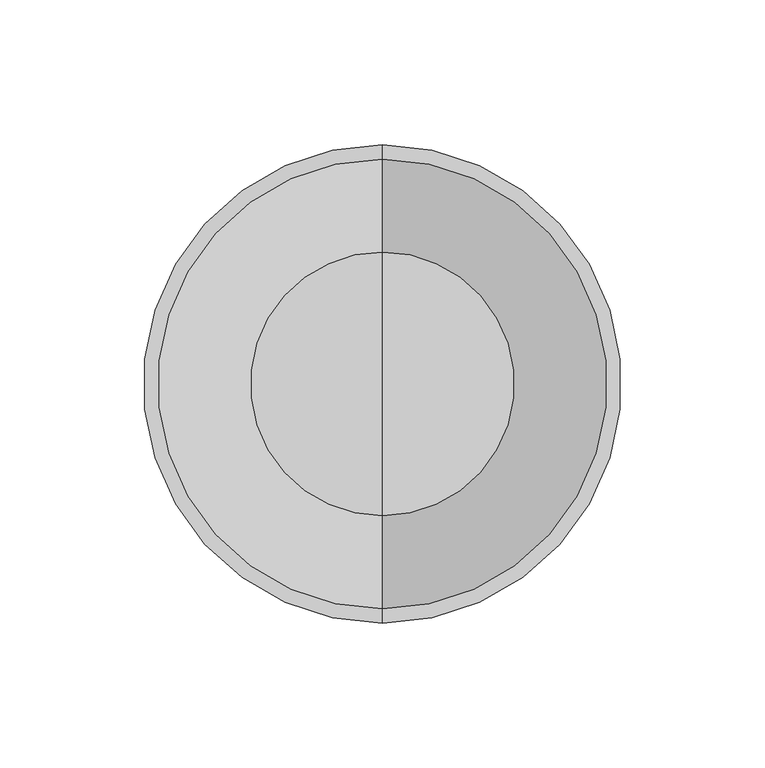
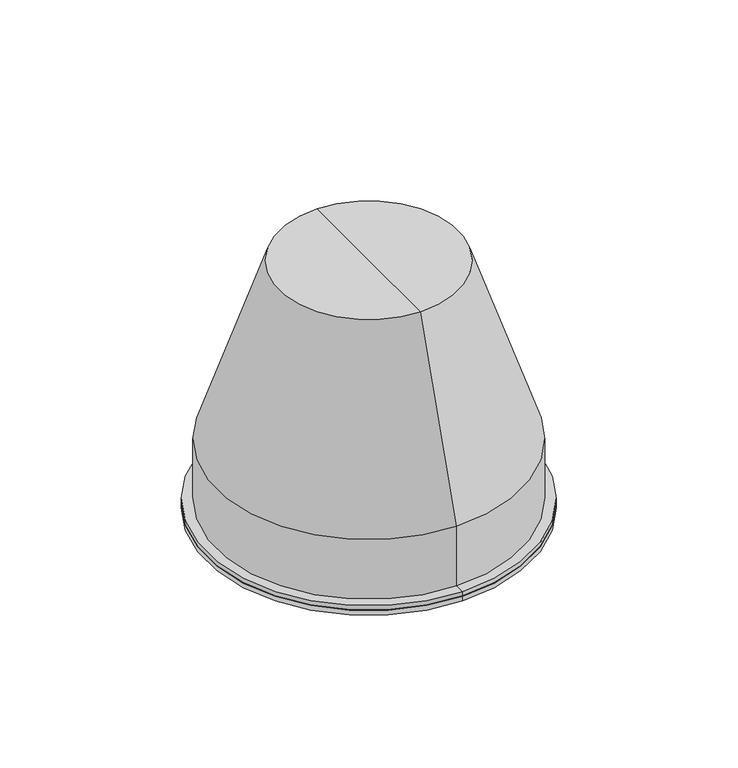
"""IFC4 building model written with IfcOpenShell, lengths in millimetres: light fixture geometry."""

from ifc_helpers import new_model, si_unit, frame, origin, place, context, project, spatial, polyline, circle_curve, source, transform, mapped, element, save
from ifc_brep_helpers import plane_surface, cylinder_surface, revolved_surface, advanced_brep


def light_fixture_b6013070(model_context):
    return source(origin(), model_context, "Body", "AdvancedBrep", [
        advanced_brep(
        [(0.0, 0.0, -5.0), (0.0, 82.5, -5.0), (0.0, -82.5, -5.0), (0.0, -82.5, -2.5), (0.0, 82.5, -2.5), (0.0, 0.0, -2.5)],
        [
            (0, 1),
            (1, 2, circle_curve(frame((0.0, 0.0, -5.0), z_axis=(0.0, 0.0, -1.0), x_axis=(0.0, 1.0, 0.0)), 82.5)),
            (2, 0),
            (2, 1, circle_curve(frame((0.0, 0.0, -5.0), z_axis=(0.0, 0.0, -1.0), x_axis=(0.0, 1.0, 0.0)), 82.5)),
            (3, 4, circle_curve(frame((0.0, 0.0, -2.5), z_axis=(0.0, 0.0, 1.0), x_axis=(0.0, 1.0, 0.0)), 82.5)),
            (4, 5),
            (5, 3),
            (4, 3, circle_curve(frame((0.0, 0.0, -2.5), z_axis=(0.0, 0.0, 1.0), x_axis=(0.0, 1.0, 0.0)), 82.5)),
            (1, 4),
            (3, 2),
        ],
        [
            plane_surface(frame((0.0, 0.0, -5.0), z_axis=(0.0, 0.0, -1.0), x_axis=(0.0, 1.0, 0.0))),
            plane_surface(frame((0.0, 0.0, -2.5), z_axis=(0.0, 0.0, 1.0), x_axis=(0.0, 1.0, 0.0))),
            cylinder_surface(frame((0.0, 0.0, 577.2817465), z_axis=(0.0, 0.0, -1.0), x_axis=(0.0, 1.0, 0.0)), 82.5),
        ],
        [
            (0, [[1, 2, 3]]),
            (0, [[-3, 4, -1]]),
            (1, [[5, 6, 7]]),
            (1, [[8, -7, -6]]),
            (2, [[-2, 9, -5, 10]]),
            (2, [[-4, -10, -8, -9]]),
        ],
    ),
        advanced_brep(
        [(0.0, 0.0, 128.0), (0.0, -45.5, 128.0), (0.0, 45.5, 128.0), (0.0, 82.5, -2.5), (0.0, -82.5, -2.5), (0.0, -75.0, -2.5), (0.0, 75.0, -2.5), (0.0, 82.5, 0.0), (0.0, -82.5, 0.0), (0.0, 77.5, 0.0), (0.0, -77.5, 0.0), (0.0, 77.5, 32.0), (0.0, -77.5, 32.0), (0.0, 43.5704413, 125.5), (0.0, -43.5704413, 125.5), (0.0, 0.0, 125.5), (0.0, 75.0, 31.6780485), (0.0, -75.0, 31.6780485)],
        [
            (0, 1),
            (1, 2, circle_curve(frame((0.0, 0.0, 128.0), z_axis=(0.0, 0.0, 1.0), x_axis=(0.0, -1.0, 0.0)), 45.5)),
            (2, 0),
            (2, 1, circle_curve(frame((0.0, 0.0, 128.0), z_axis=(0.0, 0.0, 1.0), x_axis=(0.0, -1.0, 0.0)), 45.5)),
            (3, 4, circle_curve(frame((0.0, 0.0, -2.5), z_axis=(0.0, 0.0, -1.0), x_axis=(0.0, -1.0, 0.0)), 82.5)),
            (4, 5),
            (5, 6, circle_curve(frame((0.0, 0.0, -2.5), z_axis=(0.0, 0.0, 1.0), x_axis=(0.0, -1.0, 0.0)), 75.0)),
            (6, 3),
            (4, 3, circle_curve(frame((0.0, 0.0, -2.5), z_axis=(0.0, 0.0, -1.0), x_axis=(0.0, -1.0, 0.0)), 82.5)),
            (6, 5, circle_curve(frame((0.0, 0.0, -2.5), z_axis=(0.0, 0.0, 1.0), x_axis=(0.0, -1.0, 0.0)), 75.0)),
            (7, 8, circle_curve(frame((0.0, 0.0, 0.0), z_axis=(0.0, 0.0, -1.0), x_axis=(0.0, -1.0, 0.0)), 82.5)),
            (8, 4),
            (3, 7),
            (8, 7, circle_curve(frame((0.0, 0.0, 0.0), z_axis=(0.0, 0.0, -1.0), x_axis=(0.0, -1.0, 0.0)), 82.5)),
            (9, 10, circle_curve(frame((0.0, 0.0, 0.0), z_axis=(0.0, 0.0, -1.0), x_axis=(0.0, -1.0, 0.0)), 77.5)),
            (10, 8),
            (7, 9),
            (10, 9, circle_curve(frame((0.0, 0.0, 0.0), z_axis=(0.0, 0.0, -1.0), x_axis=(0.0, -1.0, 0.0)), 77.5)),
            (11, 12, circle_curve(frame((0.0, 0.0, 32.0), z_axis=(0.0, 0.0, -1.0), x_axis=(0.0, -1.0, 0.0)), 77.5)),
            (12, 10),
            (9, 11),
            (12, 11, circle_curve(frame((0.0, 0.0, 32.0), z_axis=(0.0, 0.0, -1.0), x_axis=(0.0, -1.0, 0.0)), 77.5)),
            (1, 12),
            (11, 2),
            (13, 14, circle_curve(frame((0.0, 0.0, 125.5), z_axis=(0.0, 0.0, -1.0), x_axis=(0.0, -1.0, 0.0)), 43.5704413)),
            (14, 15),
            (15, 13),
            (14, 13, circle_curve(frame((0.0, 0.0, 125.5), z_axis=(0.0, 0.0, -1.0), x_axis=(0.0, -1.0, 0.0)), 43.5704413)),
            (16, 17, circle_curve(frame((0.0, 0.0, 31.6780485), z_axis=(0.0, 0.0, -1.0), x_axis=(0.0, -1.0, 0.0)), 75.0)),
            (17, 14),
            (13, 16),
            (17, 16, circle_curve(frame((0.0, 0.0, 31.6780485), z_axis=(0.0, 0.0, -1.0), x_axis=(0.0, -1.0, 0.0)), 75.0)),
            (5, 17),
            (16, 6),
        ],
        [
            plane_surface(frame((0.0, 0.0, 128.0), z_axis=(0.0, 0.0, 1.0), x_axis=(0.0, -1.0, 0.0))),
            plane_surface(frame((0.0, 0.0, -2.5), z_axis=(0.0, 0.0, -1.0), x_axis=(0.0, -1.0, 0.0))),
            cylinder_surface(frame((0.0, 0.0, 499.2817465), z_axis=(0.0, 0.0, 1.0), x_axis=(0.0, -1.0, 0.0)), 82.5),
            plane_surface(frame((0.0, 0.0, 0.0), z_axis=(0.0, 0.0, 1.0), x_axis=(0.0, -1.0, 0.0))),
            cylinder_surface(frame((0.0, 0.0, 499.2817465), z_axis=(0.0, 0.0, 1.0), x_axis=(0.0, -1.0, 0.0)), 77.5),
            revolved_surface(polyline([(0.0, -77.5, 32.0), (0.0, -45.5, 128.0)]), (0.0, 0.0, 499.2817465), (0.0, 0.0, 1.0)),
            plane_surface(frame((0.0, 0.0, 125.5), z_axis=(0.0, 0.0, -1.0), x_axis=(0.0, -1.0, 0.0))),
            revolved_surface(polyline([(0.0, -43.5704413, 125.5), (0.0, -75.0, 31.6780485)]), (0.0, 0.0, 499.2817465), (0.0, 0.0, 1.0)),
            revolved_surface(polyline([(0.0, -75.0, 31.67804849999999), (0.0, -75.0, -2.5)]), (0.0, 0.0, 499.2817465), (0.0, 0.0, 1.0)),
        ],
        [
            (0, [[1, 2, 3]]),
            (0, [[-3, 4, -1]]),
            (1, [[5, 6, 7, 8]]),
            (1, [[9, -8, 10, -6]]),
            (2, [[11, 12, -5, 13]]),
            (2, [[14, -13, -9, -12]]),
            (3, [[15, 16, -11, 17]]),
            (3, [[18, -17, -14, -16]]),
            (4, [[19, 20, -15, 21]]),
            (4, [[22, -21, -18, -20]]),
            (5, [[-2, 23, -19, 24]]),
            (5, [[-4, -24, -22, -23]]),
            (6, [[25, 26, 27]]),
            (6, [[28, -27, -26]]),
            (7, [[29, 30, -25, 31]]),
            (7, [[32, -31, -28, -30]]),
            (8, [[-7, 33, -29, 34]]),
            (8, [[-10, -34, -32, -33]]),
        ],
    ),
    ])


if __name__ == "__main__":
    model = new_model("IFC4")
    model_context = context("Model", 3, world=origin())
    ifc_project = project(units=[si_unit("LENGTHUNIT", "METRE", prefix="MILLI")], contexts=[model_context])
    site = spatial("IfcSite", under=ifc_project)
    building = spatial("IfcBuilding", under=site)
    placement = place(None, origin())
    light_fixture_shape = light_fixture_b6013070(model_context)
    element("IfcLightFixture", 1, at=placement, inside=building, context=model_context, shape_type="MappedRepresentation", body=[
        mapped(light_fixture_shape, transform((0.0, 0.0, 0.0), x_axis=(1.0, 0.0, 0.0), y_axis=(0.0, 1.0, 0.0), z_axis=(0.0, 0.0, 1.0))),
    ])
    save(model, "model.ifc")
